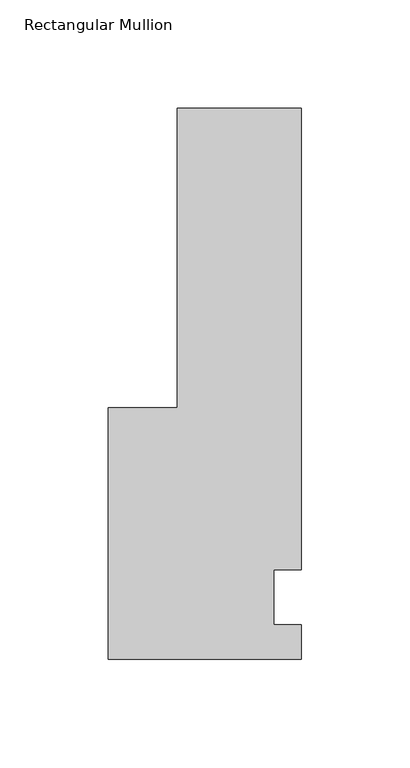
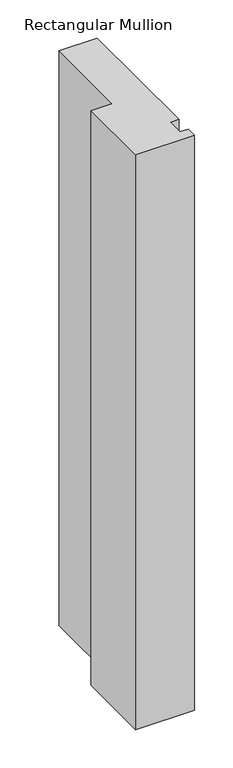
"""IFC4 building model written with IfcOpenShell, lengths in millimetres: member geometry, Rectangular Mullion."""

from ifc_helpers import new_model, si_unit, frame, origin, place, context, project, spatial, polyline, outline, extrude, source, transform, mapped, element, save


def rectangular_mullion_87341a5d(model_context):
    return source(origin(), model_context, "Body", "SweptSolid", [
        extrude(outline(polyline([(32.9094027, 223.8375), (32.9094027, 11.1125), (20.2094027, 11.1125), (20.2094027, -14.2875), (32.9094027, -14.2875), (32.9094027, -30.1625), (-55.9905973, -30.1625), (-55.9905973, 85.725), (-24.2405973, 85.725), (-24.2405973, 223.8375), (32.9094027, 223.8375)])), frame((0.0, 0.0, -914.4), z_axis=(0.0, 0.0, 1.0), x_axis=(1.0, 0.0, 0.0)), (0.0, 0.0, 1.0), 914.4),
    ])


if __name__ == "__main__":
    model = new_model("IFC4")
    model_context = context("Model", 3, world=origin())
    ifc_project = project(units=[si_unit("LENGTHUNIT", "METRE", prefix="MILLI")], contexts=[model_context])
    site = spatial("IfcSite", under=ifc_project)
    building = spatial("IfcBuilding", under=site)
    placement = place(None, origin())
    rectangular_mullion_shape = rectangular_mullion_87341a5d(model_context)
    element("IfcMember", 1, ObjectType="Rectangular Mullion", at=placement, inside=building, context=model_context, shape_type="MappedRepresentation", body=[
        mapped(rectangular_mullion_shape, transform((0.0, 0.0, 0.0), x_axis=(1.0, 0.0, 0.0), y_axis=(0.0, 1.0, 0.0), z_axis=(0.0, 0.0, 1.0))),
    ])
    save(model, "model.ifc")
